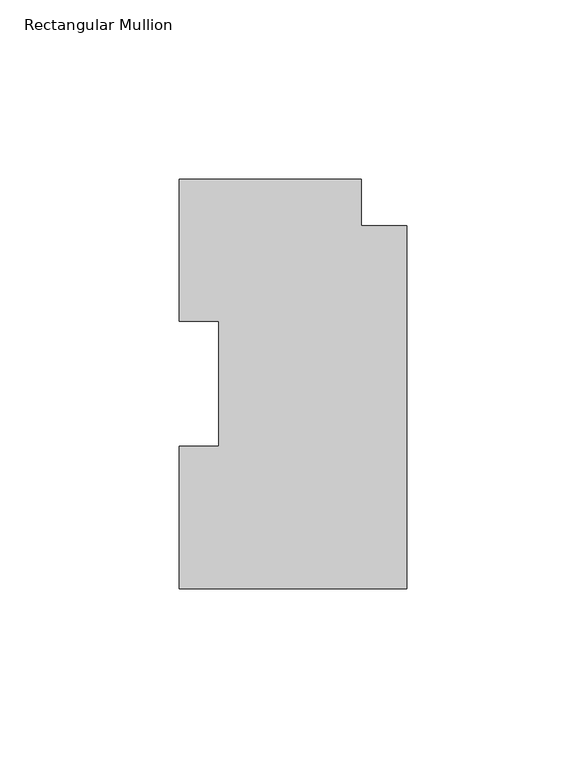
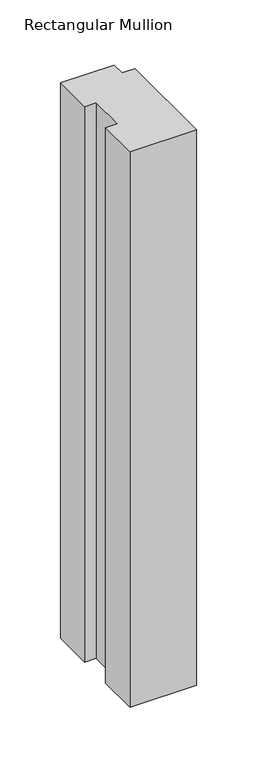
"""IFC4 building model written with IfcOpenShell, lengths in millimetres: member geometry, Rectangular Mullion."""

from ifc_helpers import new_model, si_unit, frame, origin, place, context, project, spatial, polyline, outline, extrude, source, transform, mapped, element, save


def rectangular_mullion_83519f8b(model_context):
    return source(origin(), model_context, "Body", "SweptSolid", [
        extrude(outline(polyline([(-63.5, 114.0729875), (-12.7, 114.0729875), (-12.7, 100.9919875), (0.0, 100.9919875), (0.0, -0.2270125), (-63.5, -0.2270125), (-63.5, 39.4477875), (-52.3875, 39.4477875), (-52.3875, 74.3981875), (-63.5, 74.3981875), (-63.5, 114.0729875)])), frame((0.0, 0.0, -558.7992062), z_axis=(0.0, 0.0, 1.0), x_axis=(1.0, 0.0, 0.0)), (0.0, 0.0, 1.0), 558.7992062),
    ])


if __name__ == "__main__":
    model = new_model("IFC4")
    model_context = context("Model", 3, world=origin())
    ifc_project = project(units=[si_unit("LENGTHUNIT", "METRE", prefix="MILLI")], contexts=[model_context])
    site = spatial("IfcSite", under=ifc_project)
    building = spatial("IfcBuilding", under=site)
    placement = place(None, origin())
    rectangular_mullion_shape = rectangular_mullion_83519f8b(model_context)
    element("IfcMember", 1, ObjectType="Rectangular Mullion", at=placement, inside=building, context=model_context, shape_type="MappedRepresentation", body=[
        mapped(rectangular_mullion_shape, transform((0.0, 0.0, 0.0), x_axis=(1.0, 0.0, 0.0), y_axis=(0.0, 1.0, 0.0), z_axis=(0.0, 0.0, 1.0))),
    ])
    save(model, "model.ifc")
